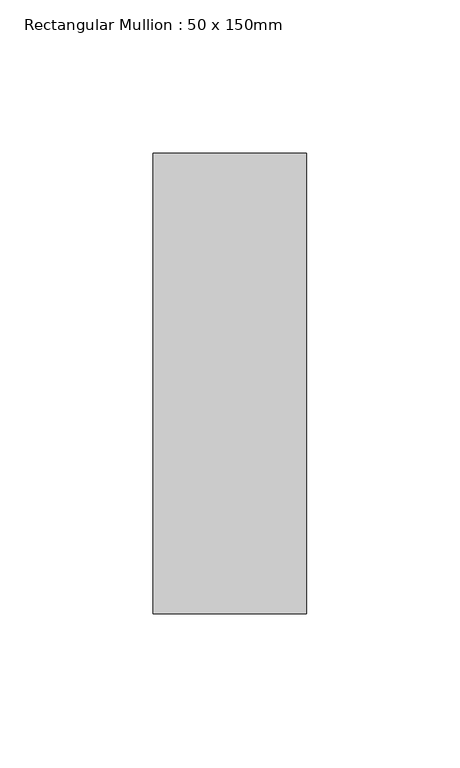
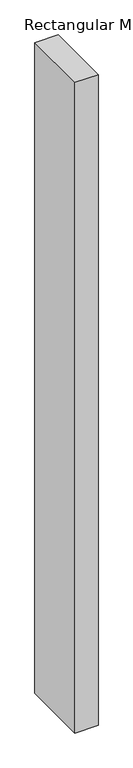
"""IFC4 building model written with IfcOpenShell, lengths in millimetres: member geometry, Rectangular Mullion : 50 x 150mm."""

from ifc_helpers import new_model, si_unit, frame, origin, place, context, project, spatial, polyline, outline, extrude, source, transform, mapped, element, save


def rectangular_mullion_50_x_150mm_a10cdc65(model_context):
    return source(origin(), model_context, "Body", "SweptSolid", [
        extrude(outline(polyline([(25.0, 75.0), (25.0, -75.0), (-25.0, -75.0), (-25.0, 75.0), (25.0, 75.0)])), frame((0.0, 0.0, -1489.183201), z_axis=(0.0, 0.0, 1.0), x_axis=(1.0, 0.0, 0.0)), (0.0, 0.0, 1.0), 1489.183201),
    ])


if __name__ == "__main__":
    model = new_model("IFC4")
    model_context = context("Model", 3, world=origin())
    ifc_project = project(units=[si_unit("LENGTHUNIT", "METRE", prefix="MILLI")], contexts=[model_context])
    site = spatial("IfcSite", under=ifc_project)
    building = spatial("IfcBuilding", under=site)
    placement = place(None, origin())
    rectangular_mullion_50_x_150mm_shape = rectangular_mullion_50_x_150mm_a10cdc65(model_context)
    element("IfcMember", 1, ObjectType="Rectangular Mullion : 50 x 150mm", at=placement, inside=building, context=model_context, shape_type="MappedRepresentation", body=[
        mapped(rectangular_mullion_50_x_150mm_shape, transform((0.0, 0.0, 0.0), x_axis=(1.0, 0.0, 0.0), y_axis=(0.0, 1.0, 0.0), z_axis=(0.0, 0.0, 1.0))),
    ])
    save(model, "model.ifc")
